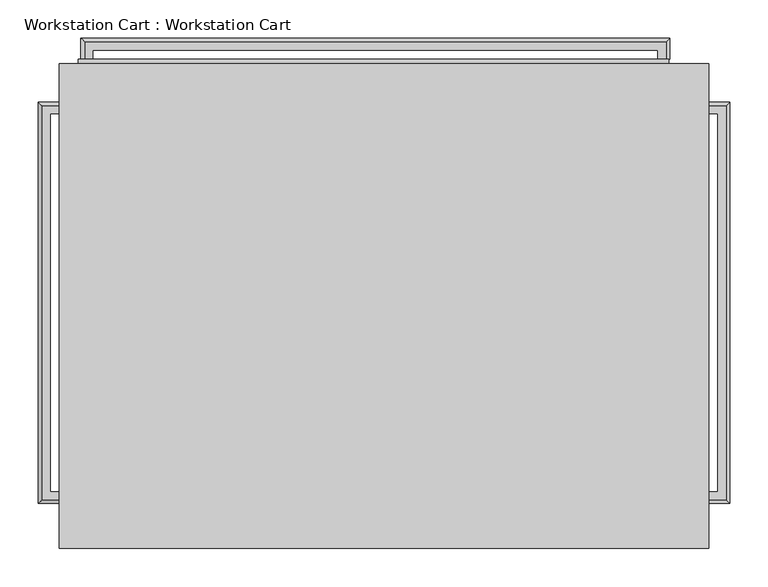
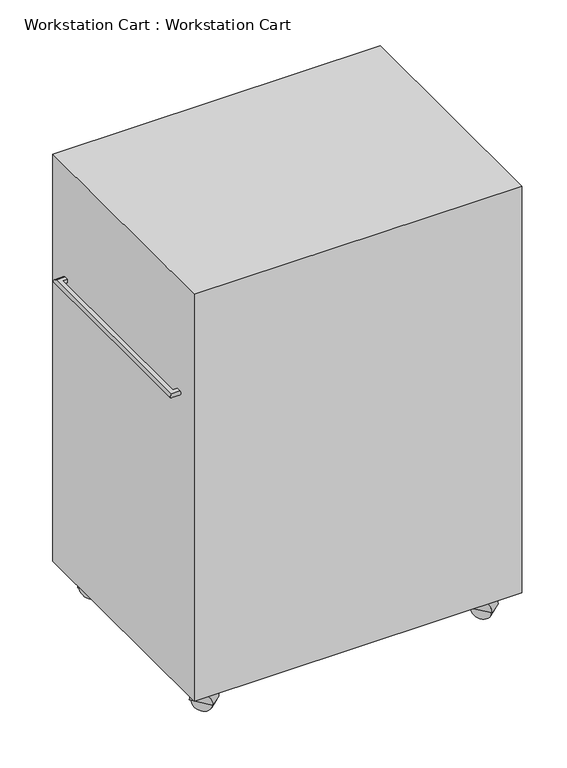
"""IFC4 building model written with IfcOpenShell, lengths in millimetres: proxy geometry, Workstation Cart : Workstation Cart."""

from ifc_helpers import new_model, si_unit, point, frame, frame_2d, origin, place, context, project, spatial, polyline, circle_curve, ellipse_curve, trimmed, segment, composite_curve, outline, extrude, faceted_brep, source, transform, mapped, element, save
from ifc_brep_helpers import plane_surface, cylinder_surface, advanced_brep


def workstation_cart_workstation_cart_d725b605(model_context):
    return source(origin(), model_context, "Body", "SolidModel", [
        advanced_brep(
        [(-190.4992575, 364.236749, 842.4976645), (-190.4992575, 364.236749, 852.4976645), (-190.4992575, 353.611749, 852.4976645), (-190.4992575, 353.611749, 842.4976645), (-212.8761031, 364.236749, 842.4976645), (-212.8761031, 364.236749, 852.4976645), (-212.8761031, -152.013251, 852.4976645), (-190.4992575, -152.013251, 852.4976645), (-190.4992575, -141.388251, 852.4976645), (-202.2511031, -141.388251, 852.4976645), (-202.2511031, 353.611749, 852.4976645), (-202.2511031, 353.611749, 842.4976645), (-202.2511031, -141.388251, 842.4976645), (-190.4992575, -141.388251, 842.4976645), (-190.4992575, -152.013251, 842.4976645), (-212.8761031, -152.013251, 842.4976645)],
        [
            (0, 1, circle_curve(frame((-190.4992575, 364.236749, 847.4976645), z_axis=(1.0, 0.0, 0.0), x_axis=(0.0, 1.0, 0.0)), 5.0)),
            (1, 2),
            (2, 3),
            (3, 0),
            (0, 4),
            (4, 5, ellipse_curve(frame((-212.8761031, 364.236749, 847.4976645), z_axis=(0.7071067811865502, 0.7071067811865448, 0.0), x_axis=(0.7071067811865448, -0.7071067811865501, 0.0)), 7.0710678, 5.0)),
            (5, 1),
            (5, 6),
            (6, 7),
            (7, 8),
            (8, 9),
            (9, 10),
            (10, 2),
            (10, 11),
            (11, 3),
            (11, 12),
            (12, 13),
            (13, 14),
            (14, 15),
            (15, 4),
            (15, 6, ellipse_curve(frame((-212.8761031, -152.013251, 847.4976645), z_axis=(-0.7071067811865454, 0.7071067811865496, 0.0), x_axis=(0.7071067811865495, 0.7071067811865456, 0.0)), 7.0710678, 5.0)),
            (9, 12),
            (13, 8),
            (7, 14, circle_curve(frame((-190.4992575, -152.013251, 847.4976645), z_axis=(1.0, 0.0, 0.0), x_axis=(0.0, -1.0, 0.0)), 5.0)),
        ],
        [
            plane_surface(frame((-190.4992575, 353.611749, 422.4976645), z_axis=(1.0, 0.0, 0.0), x_axis=(0.0, 0.0, 1.0))),
            cylinder_surface(frame((-190.4992575, 364.236749, 847.4976645), z_axis=(1.0, 0.0, 0.0), x_axis=(0.0, 1.0, 0.0)), 5.0),
            plane_surface(frame((-190.4992575, 353.611749, 852.4976645), z_axis=(0.0, 0.0, 1.0), x_axis=(-1.0, 0.0, 0.0))),
            plane_surface(frame((-190.4992575, 353.611749, 842.4976645), z_axis=(0.0, -1.0, 0.0), x_axis=(-1.0, 0.0, 0.0))),
            plane_surface(frame((-190.4992575, 364.236749, 842.4976645), z_axis=(0.0, 0.0, -1.0), x_axis=(-1.0, 0.0, 0.0))),
            cylinder_surface(frame((-212.8761031, 353.611749, 847.4976645), z_axis=(0.0, 1.0, 0.0), x_axis=(-1.0, 0.0, 0.0)), 5.0),
            plane_surface(frame((-202.2511031, 353.611749, 842.4976645), z_axis=(1.0, 0.0, 0.0), x_axis=(0.0, -1.0, 0.0))),
            plane_surface(frame((-190.4992575, -141.388251, 422.4976645), z_axis=(1.0, 0.0, 0.0), x_axis=(0.0, 0.0, 1.0))),
            cylinder_surface(frame((-202.2511031, -152.013251, 847.4976645), z_axis=(-1.0, 0.0, 0.0), x_axis=(0.0, -1.0, 0.0)), 5.0),
            plane_surface(frame((-202.2511031, -141.388251, 842.4976645), z_axis=(0.0, 1.0, 0.0), x_axis=(1.0, 0.0, 0.0))),
        ],
        [
            (0, [[1, 2, 3, 4]]),
            (1, [[5, 6, 7, -1]]),
            (2, [[-7, 8, 9, 10, 11, 12, 13, -2]]),
            (3, [[-13, 14, 15, -3]]),
            (4, [[-15, 16, 17, 18, 19, 20, -5, -4]]),
            (5, [[-20, 21, -8, -6]]),
            (6, [[-12, 22, -16, -14]]),
            (7, [[-18, 23, -10, 24]]),
            (8, [[-19, -24, -9, -21]]),
            (9, [[-11, -23, -17, -22]]),
        ],
    ),
        advanced_brep(
        [(660.3992575, 364.236749, 842.4976645), (660.3992575, 353.611749, 842.4976645), (660.3992575, 353.611749, 852.4976645), (660.3992575, 364.236749, 852.4976645), (682.7761031, 364.236749, 852.4976645), (682.7761031, 364.236749, 842.4976645), (672.1511031, 353.611749, 852.4976645), (672.1511031, -141.388251, 852.4976645), (660.3992575, -141.388251, 852.4976645), (660.3992575, -152.013251, 852.4976645), (682.7761031, -152.013251, 852.4976645), (672.1511031, 353.611749, 842.4976645), (682.7761031, -152.013251, 842.4976645), (660.3992575, -152.013251, 842.4976645), (660.3992575, -141.388251, 842.4976645), (672.1511031, -141.388251, 842.4976645)],
        [
            (0, 1),
            (1, 2),
            (2, 3),
            (3, 0, circle_curve(frame((660.3992575, 364.236749, 847.4976645), z_axis=(-1.0, 0.0, 0.0), x_axis=(0.0, -1.0, 0.0)), 5.0)),
            (3, 4),
            (4, 5, ellipse_curve(frame((682.7761031, 364.236749, 847.4976645), z_axis=(-0.7071067811865502, 0.7071067811865448, 0.0), x_axis=(-0.7071067811865448, -0.7071067811865501, 0.0)), 7.0710678, 5.0)),
            (5, 0),
            (2, 6),
            (6, 7),
            (7, 8),
            (8, 9),
            (9, 10),
            (10, 4),
            (1, 11),
            (11, 6),
            (5, 12),
            (12, 13),
            (13, 14),
            (14, 15),
            (15, 11),
            (10, 12, ellipse_curve(frame((682.7761031, -152.013251, 847.4976645), z_axis=(0.7071067811865454, 0.7071067811865496, 0.0), x_axis=(-0.7071067811865495, 0.7071067811865456, 0.0)), 7.0710678, 5.0)),
            (15, 7),
            (13, 9, circle_curve(frame((660.3992575, -152.013251, 847.4976645), z_axis=(-1.0, 0.0, 0.0), x_axis=(0.0, 1.0, 0.0)), 5.0)),
            (8, 14),
        ],
        [
            plane_surface(frame((660.3992575, 353.611749, 422.4976645), z_axis=(-1.0, 0.0, 0.0), x_axis=(0.0, 0.0, 1.0))),
            cylinder_surface(frame((660.3992575, 364.236749, 847.4976645), z_axis=(-1.0, 0.0, 0.0), x_axis=(0.0, -1.0, 0.0)), 5.0),
            plane_surface(frame((660.3992575, 364.236749, 852.4976645), z_axis=(0.0, 0.0, 1.0), x_axis=(1.0, 0.0, 0.0))),
            plane_surface(frame((660.3992575, 353.611749, 852.4976645), z_axis=(0.0, -1.0, 0.0), x_axis=(1.0, 0.0, 0.0))),
            plane_surface(frame((660.3992575, 353.611749, 842.4976645), z_axis=(0.0, 0.0, -1.0), x_axis=(1.0, 0.0, 0.0))),
            cylinder_surface(frame((682.7761031, 353.611749, 847.4976645), z_axis=(0.0, 1.0, 0.0), x_axis=(-1.0, 0.0, 0.0)), 5.0),
            plane_surface(frame((672.1511031, 353.611749, 852.4976645), z_axis=(-1.0, 0.0, 0.0), x_axis=(0.0, -1.0, 0.0))),
            plane_surface(frame((660.3992575, -141.388251, 422.4976645), z_axis=(-1.0, 0.0, 0.0), x_axis=(0.0, 0.0, 1.0))),
            cylinder_surface(frame((672.1511031, -152.013251, 847.4976645), z_axis=(1.0, 0.0, 0.0), x_axis=(0.0, 1.0, 0.0)), 5.0),
            plane_surface(frame((672.1511031, -141.388251, 852.4976645), z_axis=(0.0, 1.0, 0.0), x_axis=(-1.0, 0.0, 0.0))),
        ],
        [
            (0, [[1, 2, 3, 4]]),
            (1, [[5, 6, 7, -4]]),
            (2, [[8, 9, 10, 11, 12, 13, -5, -3]]),
            (3, [[14, 15, -8, -2]]),
            (4, [[-7, 16, 17, 18, 19, 20, -14, -1]]),
            (5, [[-13, 21, -16, -6]]),
            (6, [[-20, 22, -9, -15]]),
            (7, [[23, -11, 24, -18]]),
            (8, [[-12, -23, -17, -21]]),
            (9, [[-19, -24, -10, -22]]),
        ],
    ),
        advanced_brep(
        [(-156.9309335, 425.45, 1062.5), (-146.3059335, 425.45, 1062.5), (-146.3059335, 425.45, 1072.5), (-156.9309335, 425.45, 1072.5), (-156.9309335, 447.8268456, 1072.5), (-156.9309335, 447.8268456, 1062.5), (-146.3059335, 437.2018456, 1072.5), (593.6940665, 437.2018456, 1072.5), (593.6940665, 425.45, 1072.5), (604.3190665, 425.45, 1072.5), (604.3190665, 447.8268456, 1072.5), (-146.3059335, 437.2018456, 1062.5), (604.3190665, 447.8268456, 1062.5), (604.3190665, 425.45, 1062.5), (593.6940665, 425.45, 1062.5), (593.6940665, 437.2018456, 1062.5)],
        [
            (0, 1),
            (1, 2),
            (2, 3),
            (3, 0, circle_curve(frame((-156.9309335, 425.45, 1067.5), z_axis=(0.0, -1.0, 0.0), x_axis=(1.0, 0.0, 0.0)), 5.0)),
            (3, 4),
            (4, 5, ellipse_curve(frame((-156.9309335, 447.8268456, 1067.5), z_axis=(-0.707106781186546, -0.7071067811865491, 0.0), x_axis=(0.7071067811865491, -0.7071067811865459, 0.0)), 7.0710678, 5.0)),
            (5, 0),
            (2, 6),
            (6, 7),
            (7, 8),
            (8, 9),
            (9, 10),
            (10, 4),
            (1, 11),
            (11, 6),
            (5, 12),
            (12, 13),
            (13, 14),
            (14, 15),
            (15, 11),
            (10, 12, ellipse_curve(frame((604.3190665, 447.8268456, 1067.5), z_axis=(-0.7071067811865485, 0.7071067811865465, 0.0), x_axis=(-0.7071067811865467, -0.7071067811865483, 0.0)), 7.0710678, 5.0)),
            (15, 7),
            (13, 9, circle_curve(frame((604.3190665, 425.45, 1067.5), z_axis=(0.0, -1.0, 0.0), x_axis=(-1.0, 0.0, 0.0)), 5.0)),
            (8, 14),
        ],
        [
            plane_surface(frame((-146.3059335, 425.45, 642.5), z_axis=(0.0, -1.0, 0.0), x_axis=(0.0, 0.0, 1.0))),
            cylinder_surface(frame((-156.9309335, 425.45, 1067.5), z_axis=(0.0, -1.0, 0.0), x_axis=(1.0, 0.0, 0.0)), 5.0),
            plane_surface(frame((-156.9309335, 425.45, 1072.5), z_axis=(0.0, 0.0, 1.0), x_axis=(0.0, 1.0, 0.0))),
            plane_surface(frame((-146.3059335, 425.45, 1072.5), z_axis=(1.0, 0.0, 0.0), x_axis=(0.0, 1.0, 0.0))),
            plane_surface(frame((-146.3059335, 425.45, 1062.5), z_axis=(0.0, 0.0, -1.0), x_axis=(0.0, 1.0, 0.0))),
            cylinder_surface(frame((-146.3059335, 447.8268456, 1067.5), z_axis=(-1.0, 0.0, 0.0), x_axis=(0.0, -1.0, 0.0)), 5.0),
            plane_surface(frame((-146.3059335, 437.2018456, 1072.5), z_axis=(0.0, -1.0, 0.0), x_axis=(1.0, 0.0, 0.0))),
            plane_surface(frame((593.6940665, 425.45, 642.5), z_axis=(0.0, -1.0, 0.0), x_axis=(0.0, 0.0, 1.0))),
            cylinder_surface(frame((604.3190665, 437.2018456, 1067.5), z_axis=(0.0, 1.0, 0.0), x_axis=(-1.0, 0.0, 0.0)), 5.0),
            plane_surface(frame((593.6940665, 437.2018456, 1072.5), z_axis=(-1.0, 0.0, 0.0), x_axis=(0.0, -1.0, 0.0))),
        ],
        [
            (0, [[1, 2, 3, 4]]),
            (1, [[5, 6, 7, -4]]),
            (2, [[8, 9, 10, 11, 12, 13, -5, -3]]),
            (3, [[14, 15, -8, -2]]),
            (4, [[-7, 16, 17, 18, 19, 20, -14, -1]]),
            (5, [[-13, 21, -16, -6]]),
            (6, [[-20, 22, -9, -15]]),
            (7, [[23, -11, 24, -18]]),
            (8, [[-12, -23, -17, -21]]),
            (9, [[-19, -24, -10, -22]]),
        ],
    ),
        advanced_brep(
        [(-156.9309335, 425.45, 962.5), (-146.3059335, 425.45, 962.5), (-146.3059335, 425.45, 972.5), (-156.9309335, 425.45, 972.5), (-156.9309335, 447.8268456, 972.5), (-156.9309335, 447.8268456, 962.5), (-146.3059335, 437.2018456, 972.5), (593.6940665, 437.2018456, 972.5), (593.6940665, 425.45, 972.5), (604.3190665, 425.45, 972.5), (604.3190665, 447.8268456, 972.5), (-146.3059335, 437.2018456, 962.5), (604.3190665, 447.8268456, 962.5), (604.3190665, 425.45, 962.5), (593.6940665, 425.45, 962.5), (593.6940665, 437.2018456, 962.5)],
        [
            (0, 1),
            (1, 2),
            (2, 3),
            (3, 0, circle_curve(frame((-156.9309335, 425.45, 967.5), z_axis=(0.0, -1.0, 0.0), x_axis=(1.0, 0.0, 0.0)), 5.0)),
            (3, 4),
            (4, 5, ellipse_curve(frame((-156.9309335, 447.8268456, 967.5), z_axis=(-0.707106781186546, -0.7071067811865491, 0.0), x_axis=(0.7071067811865491, -0.7071067811865459, 0.0)), 7.0710678, 5.0)),
            (5, 0),
            (2, 6),
            (6, 7),
            (7, 8),
            (8, 9),
            (9, 10),
            (10, 4),
            (1, 11),
            (11, 6),
            (5, 12),
            (12, 13),
            (13, 14),
            (14, 15),
            (15, 11),
            (10, 12, ellipse_curve(frame((604.3190665, 447.8268456, 967.5), z_axis=(-0.7071067811865485, 0.7071067811865465, 0.0), x_axis=(-0.7071067811865467, -0.7071067811865483, 0.0)), 7.0710678, 5.0)),
            (15, 7),
            (13, 9, circle_curve(frame((604.3190665, 425.45, 967.5), z_axis=(0.0, -1.0, 0.0), x_axis=(-1.0, 0.0, 0.0)), 5.0)),
            (8, 14),
        ],
        [
            plane_surface(frame((-146.3059335, 425.45, 542.5), z_axis=(0.0, -1.0, 0.0), x_axis=(0.0, 0.0, 1.0))),
            cylinder_surface(frame((-156.9309335, 425.45, 967.5), z_axis=(0.0, -1.0, 0.0), x_axis=(1.0, 0.0, 0.0)), 5.0),
            plane_surface(frame((-156.9309335, 425.45, 972.5), z_axis=(0.0, 0.0, 1.0), x_axis=(0.0, 1.0, 0.0))),
            plane_surface(frame((-146.3059335, 425.45, 972.5), z_axis=(1.0, 0.0, 0.0), x_axis=(0.0, 1.0, 0.0))),
            plane_surface(frame((-146.3059335, 425.45, 962.5), z_axis=(0.0, 0.0, -1.0), x_axis=(0.0, 1.0, 0.0))),
            cylinder_surface(frame((-146.3059335, 447.8268456, 967.5), z_axis=(-1.0, 0.0, 0.0), x_axis=(0.0, -1.0, 0.0)), 5.0),
            plane_surface(frame((-146.3059335, 437.2018456, 972.5), z_axis=(0.0, -1.0, 0.0), x_axis=(1.0, 0.0, 0.0))),
            plane_surface(frame((593.6940665, 425.45, 542.5), z_axis=(0.0, -1.0, 0.0), x_axis=(0.0, 0.0, 1.0))),
            cylinder_surface(frame((604.3190665, 437.2018456, 967.5), z_axis=(0.0, 1.0, 0.0), x_axis=(-1.0, 0.0, 0.0)), 5.0),
            plane_surface(frame((593.6940665, 437.2018456, 972.5), z_axis=(-1.0, 0.0, 0.0), x_axis=(0.0, -1.0, 0.0))),
        ],
        [
            (0, [[1, 2, 3, 4]]),
            (1, [[5, 6, 7, -4]]),
            (2, [[8, 9, 10, 11, 12, 13, -5, -3]]),
            (3, [[14, 15, -8, -2]]),
            (4, [[-7, 16, 17, 18, 19, 20, -14, -1]]),
            (5, [[-13, 21, -16, -6]]),
            (6, [[-20, 22, -9, -15]]),
            (7, [[23, -11, 24, -18]]),
            (8, [[-12, -23, -17, -21]]),
            (9, [[-19, -24, -10, -22]]),
        ],
    ),
        advanced_brep(
        [(-156.9309335, 425.45, 865.0), (-146.3059335, 425.45, 865.0), (-146.3059335, 425.45, 875.0), (-156.9309335, 425.45, 875.0), (-156.9309335, 447.8268456, 875.0), (-156.9309335, 447.8268456, 865.0), (-146.3059335, 437.2018456, 875.0), (593.6940665, 437.2018456, 875.0), (593.6940665, 425.45, 875.0), (604.3190665, 425.45, 875.0), (604.3190665, 447.8268456, 875.0), (-146.3059335, 437.2018456, 865.0), (604.3190665, 447.8268456, 865.0), (604.3190665, 425.45, 865.0), (593.6940665, 425.45, 865.0), (593.6940665, 437.2018456, 865.0)],
        [
            (0, 1),
            (1, 2),
            (2, 3),
            (3, 0, circle_curve(frame((-156.9309335, 425.45, 870.0), z_axis=(0.0, -1.0, 0.0), x_axis=(1.0, 0.0, 0.0)), 5.0)),
            (3, 4),
            (4, 5, ellipse_curve(frame((-156.9309335, 447.8268456, 870.0), z_axis=(-0.707106781186546, -0.7071067811865491, 0.0), x_axis=(0.7071067811865491, -0.7071067811865459, 0.0)), 7.0710678, 5.0)),
            (5, 0),
            (2, 6),
            (6, 7),
            (7, 8),
            (8, 9),
            (9, 10),
            (10, 4),
            (1, 11),
            (11, 6),
            (5, 12),
            (12, 13),
            (13, 14),
            (14, 15),
            (15, 11),
            (10, 12, ellipse_curve(frame((604.3190665, 447.8268456, 870.0), z_axis=(-0.7071067811865485, 0.7071067811865465, 0.0), x_axis=(-0.7071067811865467, -0.7071067811865483, 0.0)), 7.0710678, 5.0)),
            (15, 7),
            (13, 9, circle_curve(frame((604.3190665, 425.45, 870.0), z_axis=(0.0, -1.0, 0.0), x_axis=(-1.0, 0.0, 0.0)), 5.0)),
            (8, 14),
        ],
        [
            plane_surface(frame((-146.3059335, 425.45, 445.0), z_axis=(0.0, -1.0, 0.0), x_axis=(0.0, 0.0, 1.0))),
            cylinder_surface(frame((-156.9309335, 425.45, 870.0), z_axis=(0.0, -1.0, 0.0), x_axis=(1.0, 0.0, 0.0)), 5.0),
            plane_surface(frame((-156.9309335, 425.45, 875.0), z_axis=(0.0, 0.0, 1.0), x_axis=(0.0, 1.0, 0.0))),
            plane_surface(frame((-146.3059335, 425.45, 875.0), z_axis=(1.0, 0.0, 0.0), x_axis=(0.0, 1.0, 0.0))),
            plane_surface(frame((-146.3059335, 425.45, 865.0), z_axis=(0.0, 0.0, -1.0), x_axis=(0.0, 1.0, 0.0))),
            cylinder_surface(frame((-146.3059335, 447.8268456, 870.0), z_axis=(-1.0, 0.0, 0.0), x_axis=(0.0, -1.0, 0.0)), 5.0),
            plane_surface(frame((-146.3059335, 437.2018456, 875.0), z_axis=(0.0, -1.0, 0.0), x_axis=(1.0, 0.0, 0.0))),
            plane_surface(frame((593.6940665, 425.45, 445.0), z_axis=(0.0, -1.0, 0.0), x_axis=(0.0, 0.0, 1.0))),
            cylinder_surface(frame((604.3190665, 437.2018456, 870.0), z_axis=(0.0, 1.0, 0.0), x_axis=(-1.0, 0.0, 0.0)), 5.0),
            plane_surface(frame((593.6940665, 437.2018456, 875.0), z_axis=(-1.0, 0.0, 0.0), x_axis=(0.0, -1.0, 0.0))),
        ],
        [
            (0, [[1, 2, 3, 4]]),
            (1, [[5, 6, 7, -4]]),
            (2, [[8, 9, 10, 11, 12, 13, -5, -3]]),
            (3, [[14, 15, -8, -2]]),
            (4, [[-7, 16, 17, 18, 19, 20, -14, -1]]),
            (5, [[-13, 21, -16, -6]]),
            (6, [[-20, 22, -9, -15]]),
            (7, [[23, -11, 24, -18]]),
            (8, [[-12, -23, -17, -21]]),
            (9, [[-19, -24, -10, -22]]),
        ],
    ),
        advanced_brep(
        [(-156.9309335, 425.45, 765.0), (-146.3059335, 425.45, 765.0), (-146.3059335, 425.45, 775.0), (-156.9309335, 425.45, 775.0), (-156.9309335, 447.8268456, 775.0), (-156.9309335, 447.8268456, 765.0), (-146.3059335, 437.2018456, 775.0), (593.6940665, 437.2018456, 775.0), (593.6940665, 425.45, 775.0), (604.3190665, 425.45, 775.0), (604.3190665, 447.8268456, 775.0), (-146.3059335, 437.2018456, 765.0), (604.3190665, 447.8268456, 765.0), (604.3190665, 425.45, 765.0), (593.6940665, 425.45, 765.0), (593.6940665, 437.2018456, 765.0)],
        [
            (0, 1),
            (1, 2),
            (2, 3),
            (3, 0, circle_curve(frame((-156.9309335, 425.45, 770.0), z_axis=(0.0, -1.0, 0.0), x_axis=(1.0, 0.0, 0.0)), 5.0)),
            (3, 4),
            (4, 5, ellipse_curve(frame((-156.9309335, 447.8268456, 770.0), z_axis=(-0.707106781186546, -0.7071067811865491, 0.0), x_axis=(0.7071067811865491, -0.7071067811865459, 0.0)), 7.0710678, 5.0)),
            (5, 0),
            (2, 6),
            (6, 7),
            (7, 8),
            (8, 9),
            (9, 10),
            (10, 4),
            (1, 11),
            (11, 6),
            (5, 12),
            (12, 13),
            (13, 14),
            (14, 15),
            (15, 11),
            (10, 12, ellipse_curve(frame((604.3190665, 447.8268456, 770.0), z_axis=(-0.7071067811865485, 0.7071067811865465, 0.0), x_axis=(-0.7071067811865467, -0.7071067811865483, 0.0)), 7.0710678, 5.0)),
            (15, 7),
            (13, 9, circle_curve(frame((604.3190665, 425.45, 770.0), z_axis=(0.0, -1.0, 0.0), x_axis=(-1.0, 0.0, 0.0)), 5.0)),
            (8, 14),
        ],
        [
            plane_surface(frame((-146.3059335, 425.45, 345.0), z_axis=(0.0, -1.0, 0.0), x_axis=(0.0, 0.0, 1.0))),
            cylinder_surface(frame((-156.9309335, 425.45, 770.0), z_axis=(0.0, -1.0, 0.0), x_axis=(1.0, 0.0, 0.0)), 5.0),
            plane_surface(frame((-156.9309335, 425.45, 775.0), z_axis=(0.0, 0.0, 1.0), x_axis=(0.0, 1.0, 0.0))),
            plane_surface(frame((-146.3059335, 425.45, 775.0), z_axis=(1.0, 0.0, 0.0), x_axis=(0.0, 1.0, 0.0))),
            plane_surface(frame((-146.3059335, 425.45, 765.0), z_axis=(0.0, 0.0, -1.0), x_axis=(0.0, 1.0, 0.0))),
            cylinder_surface(frame((-146.3059335, 447.8268456, 770.0), z_axis=(-1.0, 0.0, 0.0), x_axis=(0.0, -1.0, 0.0)), 5.0),
            plane_surface(frame((-146.3059335, 437.2018456, 775.0), z_axis=(0.0, -1.0, 0.0), x_axis=(1.0, 0.0, 0.0))),
            plane_surface(frame((593.6940665, 425.45, 345.0), z_axis=(0.0, -1.0, 0.0), x_axis=(0.0, 0.0, 1.0))),
            cylinder_surface(frame((604.3190665, 437.2018456, 770.0), z_axis=(0.0, 1.0, 0.0), x_axis=(-1.0, 0.0, 0.0)), 5.0),
            plane_surface(frame((593.6940665, 437.2018456, 775.0), z_axis=(-1.0, 0.0, 0.0), x_axis=(0.0, -1.0, 0.0))),
        ],
        [
            (0, [[1, 2, 3, 4]]),
            (1, [[5, 6, 7, -4]]),
            (2, [[8, 9, 10, 11, 12, 13, -5, -3]]),
            (3, [[14, 15, -8, -2]]),
            (4, [[-7, 16, 17, 18, 19, 20, -14, -1]]),
            (5, [[-13, 21, -16, -6]]),
            (6, [[-20, 22, -9, -15]]),
            (7, [[23, -11, 24, -18]]),
            (8, [[-12, -23, -17, -21]]),
            (9, [[-19, -24, -10, -22]]),
        ],
    ),
        advanced_brep(
        [(-156.9309335, 425.45, 590.0), (-146.3059335, 425.45, 590.0), (-146.3059335, 425.45, 600.0), (-156.9309335, 425.45, 600.0), (-156.9309335, 447.8268456, 600.0), (-156.9309335, 447.8268456, 590.0), (-146.3059335, 437.2018456, 600.0), (593.6940665, 437.2018456, 600.0), (593.6940665, 425.45, 600.0), (604.3190665, 425.45, 600.0), (604.3190665, 447.8268456, 600.0), (-146.3059335, 437.2018456, 590.0), (604.3190665, 447.8268456, 590.0), (604.3190665, 425.45, 590.0), (593.6940665, 425.45, 590.0), (593.6940665, 437.2018456, 590.0)],
        [
            (0, 1),
            (1, 2),
            (2, 3),
            (3, 0, circle_curve(frame((-156.9309335, 425.45, 595.0), z_axis=(0.0, -1.0, 0.0), x_axis=(1.0, 0.0, 0.0)), 5.0)),
            (3, 4),
            (4, 5, ellipse_curve(frame((-156.9309335, 447.8268456, 595.0), z_axis=(-0.707106781186546, -0.7071067811865491, 0.0), x_axis=(0.7071067811865491, -0.7071067811865459, 0.0)), 7.0710678, 5.0)),
            (5, 0),
            (2, 6),
            (6, 7),
            (7, 8),
            (8, 9),
            (9, 10),
            (10, 4),
            (1, 11),
            (11, 6),
            (5, 12),
            (12, 13),
            (13, 14),
            (14, 15),
            (15, 11),
            (10, 12, ellipse_curve(frame((604.3190665, 447.8268456, 595.0), z_axis=(-0.7071067811865485, 0.7071067811865465, 0.0), x_axis=(-0.7071067811865467, -0.7071067811865483, 0.0)), 7.0710678, 5.0)),
            (15, 7),
            (13, 9, circle_curve(frame((604.3190665, 425.45, 595.0), z_axis=(0.0, -1.0, 0.0), x_axis=(-1.0, 0.0, 0.0)), 5.0)),
            (8, 14),
        ],
        [
            plane_surface(frame((-146.3059335, 425.45, 170.0), z_axis=(0.0, -1.0, 0.0), x_axis=(0.0, 0.0, 1.0))),
            cylinder_surface(frame((-156.9309335, 425.45, 595.0), z_axis=(0.0, -1.0, 0.0), x_axis=(1.0, 0.0, 0.0)), 5.0),
            plane_surface(frame((-156.9309335, 425.45, 600.0), z_axis=(0.0, 0.0, 1.0), x_axis=(0.0, 1.0, 0.0))),
            plane_surface(frame((-146.3059335, 425.45, 600.0), z_axis=(1.0, 0.0, 0.0), x_axis=(0.0, 1.0, 0.0))),
            plane_surface(frame((-146.3059335, 425.45, 590.0), z_axis=(0.0, 0.0, -1.0), x_axis=(0.0, 1.0, 0.0))),
            cylinder_surface(frame((-146.3059335, 447.8268456, 595.0), z_axis=(-1.0, 0.0, 0.0), x_axis=(0.0, -1.0, 0.0)), 5.0),
            plane_surface(frame((-146.3059335, 437.2018456, 600.0), z_axis=(0.0, -1.0, 0.0), x_axis=(1.0, 0.0, 0.0))),
            plane_surface(frame((593.6940665, 425.45, 170.0), z_axis=(0.0, -1.0, 0.0), x_axis=(0.0, 0.0, 1.0))),
            cylinder_surface(frame((604.3190665, 437.2018456, 595.0), z_axis=(0.0, 1.0, 0.0), x_axis=(-1.0, 0.0, 0.0)), 5.0),
            plane_surface(frame((593.6940665, 437.2018456, 600.0), z_axis=(-1.0, 0.0, 0.0), x_axis=(0.0, -1.0, 0.0))),
        ],
        [
            (0, [[1, 2, 3, 4]]),
            (1, [[5, 6, 7, -4]]),
            (2, [[8, 9, 10, 11, 12, 13, -5, -3]]),
            (3, [[14, 15, -8, -2]]),
            (4, [[-7, 16, 17, 18, 19, 20, -14, -1]]),
            (5, [[-13, 21, -16, -6]]),
            (6, [[-20, 22, -9, -15]]),
            (7, [[23, -11, 24, -18]]),
            (8, [[-12, -23, -17, -21]]),
            (9, [[-19, -24, -10, -22]]),
        ],
    ),
        advanced_brep(
        [(-156.9309335, 425.45, 420.0), (-146.3059335, 425.45, 420.0), (-146.3059335, 425.45, 430.0), (-156.9309335, 425.45, 430.0), (-156.9309335, 447.8268456, 430.0), (-156.9309335, 447.8268456, 420.0), (-146.3059335, 437.2018456, 430.0), (593.6940665, 437.2018456, 430.0), (593.6940665, 425.45, 430.0), (604.3190665, 425.45, 430.0), (604.3190665, 447.8268456, 430.0), (-146.3059335, 437.2018456, 420.0), (604.3190665, 447.8268456, 420.0), (604.3190665, 425.45, 420.0), (593.6940665, 425.45, 420.0), (593.6940665, 437.2018456, 420.0)],
        [
            (0, 1),
            (1, 2),
            (2, 3),
            (3, 0, circle_curve(frame((-156.9309335, 425.45, 425.0), z_axis=(0.0, -1.0, 0.0), x_axis=(1.0, 0.0, 0.0)), 5.0)),
            (3, 4),
            (4, 5, ellipse_curve(frame((-156.9309335, 447.8268456, 425.0), z_axis=(-0.707106781186546, -0.7071067811865491, 0.0), x_axis=(0.7071067811865491, -0.7071067811865459, 0.0)), 7.0710678, 5.0)),
            (5, 0),
            (2, 6),
            (6, 7),
            (7, 8),
            (8, 9),
            (9, 10),
            (10, 4),
            (1, 11),
            (11, 6),
            (5, 12),
            (12, 13),
            (13, 14),
            (14, 15),
            (15, 11),
            (10, 12, ellipse_curve(frame((604.3190665, 447.8268456, 425.0), z_axis=(-0.7071067811865485, 0.7071067811865465, 0.0), x_axis=(-0.7071067811865467, -0.7071067811865483, 0.0)), 7.0710678, 5.0)),
            (15, 7),
            (13, 9, circle_curve(frame((604.3190665, 425.45, 425.0), z_axis=(0.0, -1.0, 0.0), x_axis=(-1.0, 0.0, 0.0)), 5.0)),
            (8, 14),
        ],
        [
            plane_surface(frame((-146.3059335, 425.45, 0.0), z_axis=(0.0, -1.0, 0.0), x_axis=(0.0, 0.0, 1.0))),
            cylinder_surface(frame((-156.9309335, 425.45, 425.0), z_axis=(0.0, -1.0, 0.0), x_axis=(1.0, 0.0, 0.0)), 5.0),
            plane_surface(frame((-156.9309335, 425.45, 430.0), z_axis=(0.0, 0.0, 1.0), x_axis=(0.0, 1.0, 0.0))),
            plane_surface(frame((-146.3059335, 425.45, 430.0), z_axis=(1.0, 0.0, 0.0), x_axis=(0.0, 1.0, 0.0))),
            plane_surface(frame((-146.3059335, 425.45, 420.0), z_axis=(0.0, 0.0, -1.0), x_axis=(0.0, 1.0, 0.0))),
            cylinder_surface(frame((-146.3059335, 447.8268456, 425.0), z_axis=(-1.0, 0.0, 0.0), x_axis=(0.0, -1.0, 0.0)), 5.0),
            plane_surface(frame((-146.3059335, 437.2018456, 430.0), z_axis=(0.0, -1.0, 0.0), x_axis=(1.0, 0.0, 0.0))),
            plane_surface(frame((593.6940665, 425.45, 0.0), z_axis=(0.0, -1.0, 0.0), x_axis=(0.0, 0.0, 1.0))),
            cylinder_surface(frame((604.3190665, 437.2018456, 425.0), z_axis=(0.0, 1.0, 0.0), x_axis=(-1.0, 0.0, 0.0)), 5.0),
            plane_surface(frame((593.6940665, 437.2018456, 430.0), z_axis=(-1.0, 0.0, 0.0), x_axis=(0.0, -1.0, 0.0))),
        ],
        [
            (0, [[1, 2, 3, 4]]),
            (1, [[5, 6, 7, -4]]),
            (2, [[8, 9, 10, 11, 12, 13, -5, -3]]),
            (3, [[14, 15, -8, -2]]),
            (4, [[-7, 16, 17, 18, 19, 20, -14, -1]]),
            (5, [[-13, 21, -16, -6]]),
            (6, [[-20, 22, -9, -15]]),
            (7, [[23, -11, 24, -18]]),
            (8, [[-12, -23, -17, -21]]),
            (9, [[-19, -24, -10, -22]]),
        ],
    ),
        extrude(outline(composite_curve([segment(trimmed(circle_curve(frame_2d((0.0, 25.7612182)), 25.7612183), [point((0.0, 51.5224365))], [point((0.0, 0.0))], False, "CARTESIAN"), True, "CONTINUOUS"), segment(trimmed(circle_curve(frame_2d((0.0, 25.7612182)), 25.7612183), [point((0.0, 0.0))], [point((0.0, 51.5224365))], False, "CARTESIAN"), True, "CONTINUOUS")], self_intersect=False)), frame((-123.2538038, -181.715003, -13.9262817), z_axis=(0.7771459614569454, 0.6293203910498689, 0.0), x_axis=(0.0, 0.0, -1.0)), (0.0, 0.0, 1.0), 31.75),
        extrude(outline(composite_curve([segment(polyline([(57.1058785, 0.0), (0.6783151, 0.0)]), True, "CONTINUOUS"), segment(trimmed(circle_curve(frame_2d((28.8920967, 0.0)), 28.2137817), [point((0.6783151, 0.0))], [point((57.1058785, 0.0))], False, "CARTESIAN"), True, "CONTINUOUS")], self_intersect=False)), frame((-123.7509165, -186.1462448, -13.9262817), z_axis=(0.7771459614569454, 0.6293203910498689, 0.0), x_axis=(-0.6293203910498689, 0.7771459614569454, 0.0)), (0.0, 0.0, 1.0), 38.1),
        extrude(outline(composite_curve([segment(trimmed(circle_curve(frame_2d((-127.1280789, -151.7038351)), 3.5091751), [point((-129.8552201, -153.9122305))], [point((-124.4009376, -149.4954397))], False, "CARTESIAN"), True, "CONTINUOUS"), segment(trimmed(circle_curve(frame_2d((-127.1280789, -151.7038351)), 3.5091751), [point((-124.4009376, -149.4954397))], [point((-129.8552201, -153.9122305))], False, "CARTESIAN"), True, "CONTINUOUS")], self_intersect=False)), frame((0.0, 0.0, 14.2875), z_axis=(0.0, 0.0, 1.0), x_axis=(1.0, 0.0, 0.0)), (0.0, 0.0, 1.0), 13.49375),
        extrude(outline(composite_curve([segment(trimmed(circle_curve(frame_2d((0.0, 25.7612183)), 25.7612183), [point((0.0, 51.5224365))], [point((0.0, 0.0))], False, "CARTESIAN"), True, "CONTINUOUS"), segment(trimmed(circle_curve(frame_2d((0.0, 25.7612183)), 25.7612183), [point((0.0, 0.0))], [point((0.0, 51.5224365))], False, "CARTESIAN"), True, "CONTINUOUS")], self_intersect=False)), frame((-121.3255802, 325.3069282, -13.9262817), z_axis=(0.7771459614569454, 0.6293203910498689, 0.0), x_axis=(0.0, 0.0, -1.0)), (0.0, 0.0, 1.0), 31.75),
        extrude(outline(composite_curve([segment(polyline([(57.1058785, 0.0), (0.678315, 0.0)]), True, "CONTINUOUS"), segment(trimmed(circle_curve(frame_2d((28.8920967, 0.0)), 28.2137817), [point((0.678315, 0.0))], [point((57.1058785, 0.0))], False, "CARTESIAN"), True, "CONTINUOUS")], self_intersect=False)), frame((-121.822693, 320.8756865, -13.9262817), z_axis=(0.7771459614569454, 0.6293203910498689, 0.0), x_axis=(-0.6293203910498689, 0.7771459614569454, 0.0)), (0.0, 0.0, 1.0), 38.1),
        extrude(outline(composite_curve([segment(trimmed(circle_curve(frame_2d((-125.1998553, 355.3180962)), 3.5091751), [point((-127.9269966, 353.1097007))], [point((-122.4727141, 357.5264916))], False, "CARTESIAN"), True, "CONTINUOUS"), segment(trimmed(circle_curve(frame_2d((-125.1998553, 355.3180962)), 3.5091751), [point((-122.4727141, 357.5264916))], [point((-127.9269966, 353.1097007))], False, "CARTESIAN"), True, "CONTINUOUS")], self_intersect=False)), frame((0.0, 0.0, 14.2875), z_axis=(0.0, 0.0, 1.0), x_axis=(1.0, 0.0, 0.0)), (0.0, 0.0, 1.0), 13.49375),
        extrude(outline(composite_curve([segment(trimmed(circle_curve(frame_2d((0.0, 25.7612182)), 25.7612183), [point((0.0, 51.5224365))], [point((0.0, 0.0))], False, "CARTESIAN"), True, "CONTINUOUS"), segment(trimmed(circle_curve(frame_2d((0.0, 25.7612182)), 25.7612183), [point((0.0, 0.0))], [point((0.0, 51.5224365))], False, "CARTESIAN"), True, "CONTINUOUS")], self_intersect=False)), frame((601.7582457, -182.7799734, -13.9262817), z_axis=(0.7771459614569454, 0.6293203910498689, 0.0), x_axis=(0.0, 0.0, -1.0)), (0.0, 0.0, 1.0), 31.75),
        extrude(outline(composite_curve([segment(polyline([(57.1058784, 0.0), (0.6783149, 0.0)]), True, "CONTINUOUS"), segment(trimmed(circle_curve(frame_2d((28.8920967, 0.0)), 28.2137817), [point((0.6783149, 0.0))], [point((57.1058784, 0.0))], False, "CARTESIAN"), True, "CONTINUOUS")], self_intersect=False)), frame((601.2611329, -187.2112152, -13.9262817), z_axis=(0.7771459614569455, 0.6293203910498689, 0.0), x_axis=(-0.6293203910498689, 0.7771459614569455, 0.0)), (0.0, 0.0, 1.0), 38.1),
        extrude(outline(composite_curve([segment(trimmed(circle_curve(frame_2d((597.8839706, -152.7688055)), 3.5091751), [point((595.1568293, -154.977201))], [point((600.6111119, -150.5604101))], False, "CARTESIAN"), True, "CONTINUOUS"), segment(trimmed(circle_curve(frame_2d((597.8839706, -152.7688055)), 3.5091751), [point((600.6111119, -150.5604101))], [point((595.1568293, -154.977201))], False, "CARTESIAN"), True, "CONTINUOUS")], self_intersect=False)), frame((0.0, 0.0, 14.2875), z_axis=(0.0, 0.0, 1.0), x_axis=(1.0, 0.0, 0.0)), (0.0, 0.0, 1.0), 13.49375),
        extrude(outline(composite_curve([segment(trimmed(circle_curve(frame_2d((0.0, 25.7612182)), 25.7612183), [point((0.0, 51.5224365))], [point((0.0, 0.0))], False, "CARTESIAN"), True, "CONTINUOUS"), segment(trimmed(circle_curve(frame_2d((0.0, 25.7612182)), 25.7612183), [point((0.0, 0.0))], [point((0.0, 51.5224365))], False, "CARTESIAN"), True, "CONTINUOUS")], self_intersect=False)), frame((601.7582457, -182.7799734, -13.9262817), z_axis=(0.7771459614569454, 0.6293203910498689, 0.0), x_axis=(0.0, 0.0, -1.0)), (0.0, 0.0, 1.0), 31.75),
        extrude(outline(composite_curve([segment(polyline([(57.1058784, 0.0), (0.6783149, 0.0)]), True, "CONTINUOUS"), segment(trimmed(circle_curve(frame_2d((28.8920967, 0.0)), 28.2137817), [point((0.6783149, 0.0))], [point((57.1058784, 0.0))], False, "CARTESIAN"), True, "CONTINUOUS")], self_intersect=False)), frame((601.2611329, -187.2112152, -13.9262817), z_axis=(0.7771459614569455, 0.6293203910498689, 0.0), x_axis=(-0.6293203910498689, 0.7771459614569455, 0.0)), (0.0, 0.0, 1.0), 38.1),
        extrude(outline(composite_curve([segment(trimmed(circle_curve(frame_2d((597.8839706, -152.7688055)), 3.5091751), [point((595.1568293, -154.977201))], [point((600.6111119, -150.5604101))], False, "CARTESIAN"), True, "CONTINUOUS"), segment(trimmed(circle_curve(frame_2d((597.8839706, -152.7688055)), 3.5091751), [point((600.6111119, -150.5604101))], [point((595.1568293, -154.977201))], False, "CARTESIAN"), True, "CONTINUOUS")], self_intersect=False)), frame((0.0, 0.0, 14.2875), z_axis=(0.0, 0.0, 1.0), x_axis=(1.0, 0.0, 0.0)), (0.0, 0.0, 1.0), 13.49375),
        extrude(outline(composite_curve([segment(trimmed(circle_curve(frame_2d((0.0, 25.7612182)), 25.7612183), [point((0.0, 51.5224365))], [point((0.0, 0.0))], False, "CARTESIAN"), True, "CONTINUOUS"), segment(trimmed(circle_curve(frame_2d((0.0, 25.7612182)), 25.7612183), [point((0.0, 0.0))], [point((0.0, 51.5224365))], False, "CARTESIAN"), True, "CONTINUOUS")], self_intersect=False)), frame((600.1707457, 323.6325266, -13.9262817), z_axis=(0.7771459614569454, 0.6293203910498689, 0.0), x_axis=(0.0, 0.0, -1.0)), (0.0, 0.0, 1.0), 31.75),
        extrude(outline(composite_curve([segment(polyline([(57.1058784, 0.0), (0.6783149, 0.0)]), True, "CONTINUOUS"), segment(trimmed(circle_curve(frame_2d((28.8920967, 0.0)), 28.2137817), [point((0.6783149, 0.0))], [point((57.1058784, 0.0))], False, "CARTESIAN"), True, "CONTINUOUS")], self_intersect=False)), frame((599.6736329, 319.2012848, -13.9262817), z_axis=(0.7771459614569454, 0.6293203910498689, 0.0), x_axis=(-0.6293203910498689, 0.7771459614569454, 0.0)), (0.0, 0.0, 1.0), 38.1),
        extrude(outline(composite_curve([segment(trimmed(circle_curve(frame_2d((596.2964706, 353.6436945)), 3.5091751), [point((593.5693293, 351.435299))], [point((599.0236119, 355.8520899))], False, "CARTESIAN"), True, "CONTINUOUS"), segment(trimmed(circle_curve(frame_2d((596.2964706, 353.6436945)), 3.5091751), [point((599.0236119, 355.8520899))], [point((593.5693293, 351.435299))], False, "CARTESIAN"), True, "CONTINUOUS")], self_intersect=False)), frame((0.0, 0.0, 14.2875), z_axis=(0.0, 0.0, 1.0), x_axis=(1.0, 0.0, 0.0)), (0.0, 0.0, 1.0), 13.49375),
        extrude(outline(polyline([(-165.1, 419.1), (-165.1, 425.45), (608.0784825, 425.45), (608.0784825, 419.1), (-165.1, 419.1)])), frame((0.0, 0.0, 463.55), z_axis=(0.0, 0.0, 1.0), x_axis=(1.0, 0.0, 0.0)), (0.0, 0.0, 1.0), 155.3345142),
        extrude(outline(polyline([(-165.1, 419.1), (-165.1, 425.45), (608.0784825, 425.45), (608.0784825, 419.1), (-165.1, 419.1)])), frame((0.0, 0.0, 806.45), z_axis=(0.0, 0.0, 1.0), x_axis=(1.0, 0.0, 0.0)), (0.0, 0.0, 1.0), 80.8645528),
        extrude(outline(polyline([(-165.1, 419.1), (-165.1, 425.45), (608.0784825, 425.45), (608.0784825, 419.1), (-165.1, 419.1)])), frame((0.0, 0.0, 904.875), z_axis=(0.0, 0.0, 1.0), x_axis=(1.0, 0.0, 0.0)), (0.0, 0.0, 1.0), 80.8645528),
        extrude(outline(polyline([(-165.1, 419.1), (-165.1, 425.45), (608.0784825, 425.45), (608.0784825, 419.1), (-165.1, 419.1)])), frame((0.0, 0.0, 1003.3), z_axis=(0.0, 0.0, 1.0), x_axis=(1.0, 0.0, 0.0)), (0.0, 0.0, 1.0), 80.8645528),
        extrude(outline(polyline([(-165.1, 419.1), (-165.1, 425.45), (608.0784825, 425.45), (608.0784825, 419.1), (-165.1, 419.1)])), frame((0.0, 0.0, 635.0), z_axis=(0.0, 0.0, 1.0), x_axis=(1.0, 0.0, 0.0)), (0.0, 0.0, 1.0), 155.3345142),
        extrude(outline(polyline([(608.0784825, 425.45), (608.0784825, 419.1), (-165.1, 419.1), (-165.1, 425.45), (608.0784825, 425.45)])), frame((0.0, 0.0, 144.62025), z_axis=(0.0, 0.0, 1.0), x_axis=(1.0, 0.0, 0.0)), (0.0, 0.0, 1.0), 299.87975),
        faceted_brep([(584.2, 368.3, 38.1), (584.2, 342.9, 38.1), (609.6, 342.9, 38.1), (609.6, 368.3, 38.1), (590.55, 361.95, 25.4), (603.25, 361.95, 25.4), (603.25, 349.25, 25.4), (590.55, 349.25, 25.4)], [[[0, 1, 2, 3]], [[4, 5, 6, 7]], [[4, 0, 3, 5]], [[5, 3, 2, 6]], [[6, 2, 1, 7]], [[7, 1, 0, 4]]]),
        faceted_brep([(-114.3, 368.3, 38.1), (-139.7, 368.3, 38.1), (-139.7, 342.9, 38.1), (-114.3, 342.9, 38.1), (-120.65, 361.95, 25.4), (-120.65, 349.25, 25.4), (-133.35, 349.25, 25.4), (-133.35, 361.95, 25.4)], [[[0, 1, 2, 3]], [[4, 5, 6, 7]], [[4, 0, 3, 5]], [[5, 3, 2, 6]], [[6, 2, 1, 7]], [[7, 1, 0, 4]]]),
        faceted_brep([(584.2, -165.1, 38.1), (609.6, -165.1, 38.1), (609.6, -139.7, 38.1), (584.2, -139.7, 38.1), (590.55, -158.75, 25.4), (590.55, -146.05, 25.4), (603.25, -146.05, 25.4), (603.25, -158.75, 25.4)], [[[0, 1, 2, 3]], [[4, 5, 6, 7]], [[4, 0, 3, 5]], [[5, 3, 2, 6]], [[6, 2, 1, 7]], [[7, 1, 0, 4]]]),
        faceted_brep([(-114.3, -165.1, 38.1), (-114.3, -139.7, 38.1), (-139.7, -139.7, 38.1), (-139.7, -165.1, 38.1), (-120.65, -158.75, 25.4), (-133.35, -158.75, 25.4), (-133.35, -146.05, 25.4), (-120.65, -146.05, 25.4)], [[[0, 1, 2, 3]], [[4, 5, 6, 7]], [[4, 0, 3, 5]], [[5, 3, 2, 6]], [[6, 2, 1, 7]], [[7, 1, 0, 4]]]),
        extrude(outline(polyline([(660.4, 419.1), (660.4, -215.9), (-190.5, -215.9), (-190.5, 419.1), (660.4, 419.1)])), frame((0.0, 0.0, 38.1), z_axis=(0.0, 0.0, 1.0), x_axis=(1.0, 0.0, 0.0)), (0.0, 0.0, 1.0), 1117.6),
    ])


if __name__ == "__main__":
    model = new_model("IFC4")
    model_context = context("Model", 3, world=origin())
    ifc_project = project(units=[si_unit("LENGTHUNIT", "METRE", prefix="MILLI")], contexts=[model_context])
    site = spatial("IfcSite", under=ifc_project)
    building = spatial("IfcBuilding", under=site)
    placement = place(None, origin())
    workstation_cart_workstation_cart_shape = workstation_cart_workstation_cart_d725b605(model_context)
    element("IfcBuildingElementProxy", 1, Name="Workstation Cart : Workstation Cart", ObjectType="Workstation Cart : Workstation Cart", at=placement, inside=building, context=model_context, shape_type="MappedRepresentation", body=[
        mapped(workstation_cart_workstation_cart_shape, transform((0.0, 0.0, 0.0), x_axis=(1.0, 0.0, 0.0), y_axis=(0.0, 1.0, 0.0), z_axis=(0.0, 0.0, 1.0))),
    ])
    save(model, "model.ifc")
